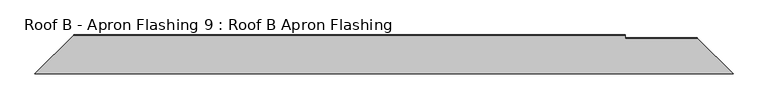
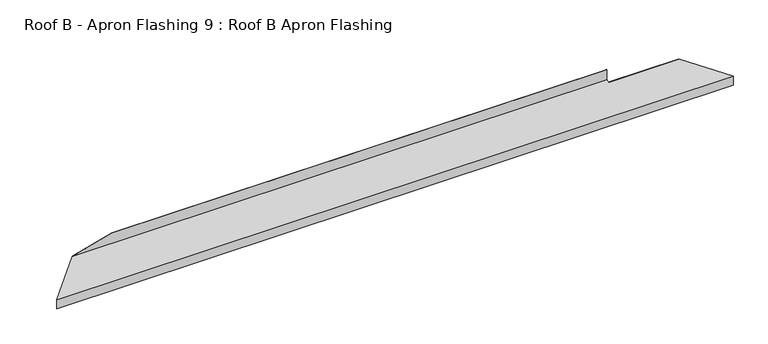
"""IFC4 building model written with IfcOpenShell, lengths in millimetres: proxy geometry, Roof B - Apron Flashing 9 : Roof B Apron Flashing."""

from ifc_helpers import new_model, si_unit, origin, place, context, project, spatial, faceted_brep, source, transform, mapped, element, save


def roof_b_apron_flashing_9_roof_b_apron_flashing_14deeb01(model_context):
    return source(origin(), model_context, "Body", "Brep", [
        faceted_brep([(37477.9556496, -16029.8948084, 3547.3861639), (37666.3394234, -16218.2785822, 3496.9088838), (33991.5292732, -16218.2785822, 3496.9088838), (34195.2772551, -16014.5306003, 3551.5029911), (37098.9343483, -16014.5306003, 3551.5029911), (37098.9343483, -16029.8948084, 3547.3861639), (37098.9343483, -16014.5306003, 3611.1338746), (34195.2772551, -16014.5306003, 3553.7462723), (34409.450703, -16014.5306003, 3611.1338746), (37098.9343483, -16015.5306003, 3611.1338746), (34409.450703, -16015.5306003, 3611.1338746), (37098.9343483, -16015.5306003, 3552.270318), (34194.2772551, -16015.5306003, 3553.4783231), (34194.2772551, -16015.5306003, 3552.270318), (37667.3394234, -16219.2785822, 3497.6762108), (37481.8193529, -16033.7585117, 3547.3861639), (37098.9343483, -16033.7585117, 3547.3861639), (33990.5292732, -16219.2785822, 3497.6762108), (37667.3394234, -16219.2785822, 3446.4262108), (33990.5292732, -16219.2785822, 3446.4262108), (37666.3394234, -16218.2785822, 3446.4262108), (33991.5292732, -16218.2785822, 3446.4262108)], [[[0, 1, 2, 3, 4, 5]], [[6, 4, 3, 7, 8]], [[9, 6, 8, 10]], [[11, 9, 10, 12, 13]], [[14, 15, 16, 11, 13, 17]], [[18, 14, 17, 19]], [[20, 18, 19, 21]], [[1, 20, 21, 2]], [[14, 18, 20, 1, 0, 15]], [[5, 16, 15, 0]], [[16, 5, 4, 6, 9, 11]], [[10, 8, 7, 12]], [[3, 2, 21, 19, 17, 13, 12, 7]]]),
    ])


if __name__ == "__main__":
    model = new_model("IFC4")
    model_context = context("Model", 3, world=origin())
    ifc_project = project(units=[si_unit("LENGTHUNIT", "METRE", prefix="MILLI")], contexts=[model_context])
    site = spatial("IfcSite", under=ifc_project)
    building = spatial("IfcBuilding", under=site)
    placement = place(None, origin())
    roof_b_apron_flashing_9_roof_b_apron_flashing_shape = roof_b_apron_flashing_9_roof_b_apron_flashing_14deeb01(model_context)
    element("IfcBuildingElementProxy", 1, Name="Roof B - Apron Flashing 9 : Roof B Apron Flashing", ObjectType="Roof B - Apron Flashing 9 : Roof B Apron Flashing", at=placement, inside=building, context=model_context, shape_type="MappedRepresentation", body=[
        mapped(roof_b_apron_flashing_9_roof_b_apron_flashing_shape, transform((0.0, 0.0, 0.0), x_axis=(1.0, 0.0, 0.0), y_axis=(0.0, 1.0, 0.0), z_axis=(0.0, 0.0, 1.0))),
    ])
    save(model, "model.ifc")
